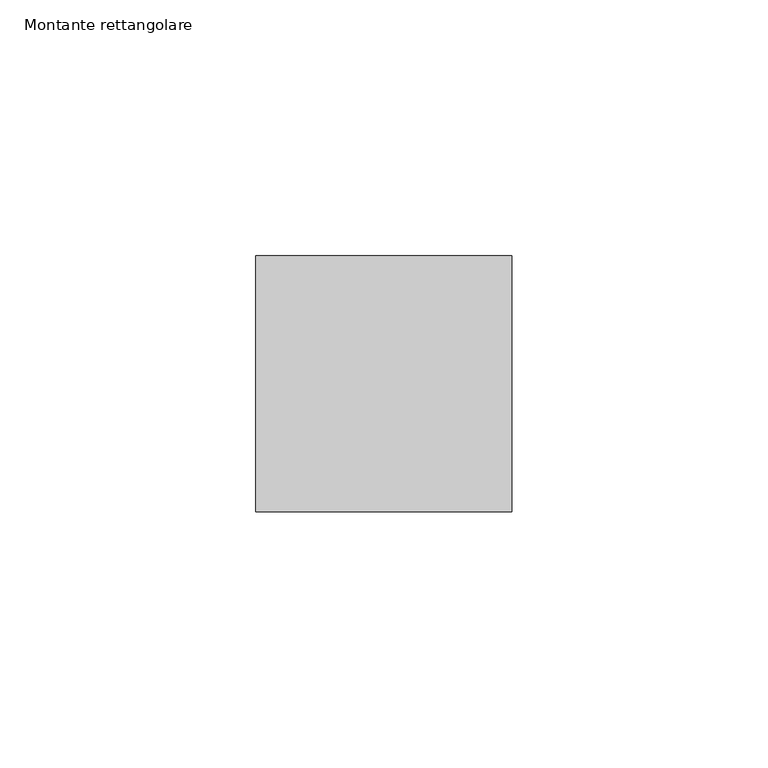
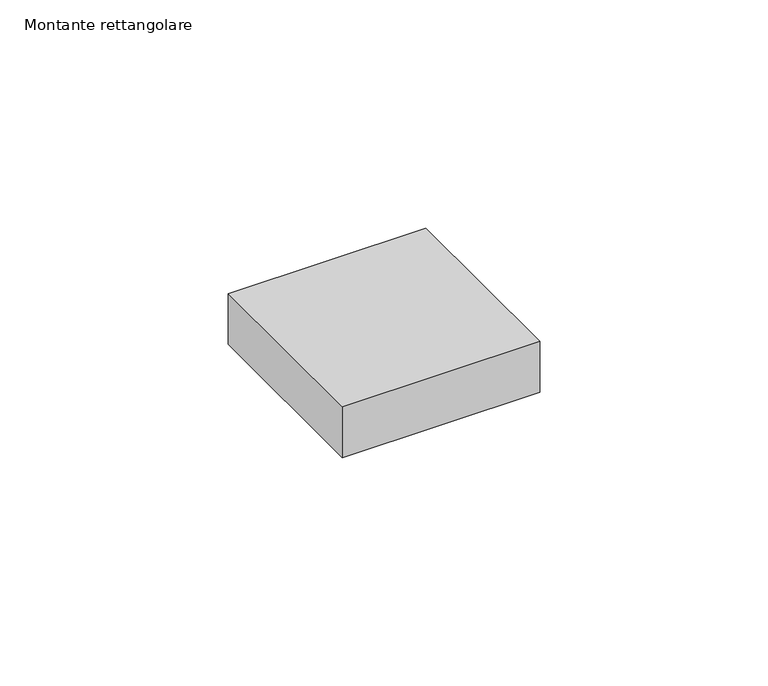
"""IFC4 building model written with IfcOpenShell, lengths in millimetres: member geometry, Montante rettangolare."""

from ifc_helpers import new_model, si_unit, frame, origin, place, context, project, spatial, polyline, outline, extrude, source, transform, mapped, element, save


def montante_rettangolare_759a3279(model_context):
    return source(origin(), model_context, "Body", "SweptSolid", [
        extrude(outline(polyline([(25.0, 25.0), (25.0, -25.0), (-25.0, -25.0), (-25.0, 25.0), (25.0, 25.0)])), frame((0.0, 0.0, -13.598391), z_axis=(0.0, 0.0, 1.0), x_axis=(1.0, 0.0, 0.0)), (0.0, 0.0, 1.0), 13.598391),
    ])


if __name__ == "__main__":
    model = new_model("IFC4")
    model_context = context("Model", 3, world=origin())
    ifc_project = project(units=[si_unit("LENGTHUNIT", "METRE", prefix="MILLI")], contexts=[model_context])
    site = spatial("IfcSite", under=ifc_project)
    building = spatial("IfcBuilding", under=site)
    placement = place(None, origin())
    montante_rettangolare_shape = montante_rettangolare_759a3279(model_context)
    element("IfcMember", 1, ObjectType="Montante rettangolare", at=placement, inside=building, context=model_context, shape_type="MappedRepresentation", body=[
        mapped(montante_rettangolare_shape, transform((0.0, 0.0, 0.0), x_axis=(1.0, 0.0, 0.0), y_axis=(0.0, 1.0, 0.0), z_axis=(0.0, 0.0, 1.0))),
    ])
    save(model, "model.ifc")
